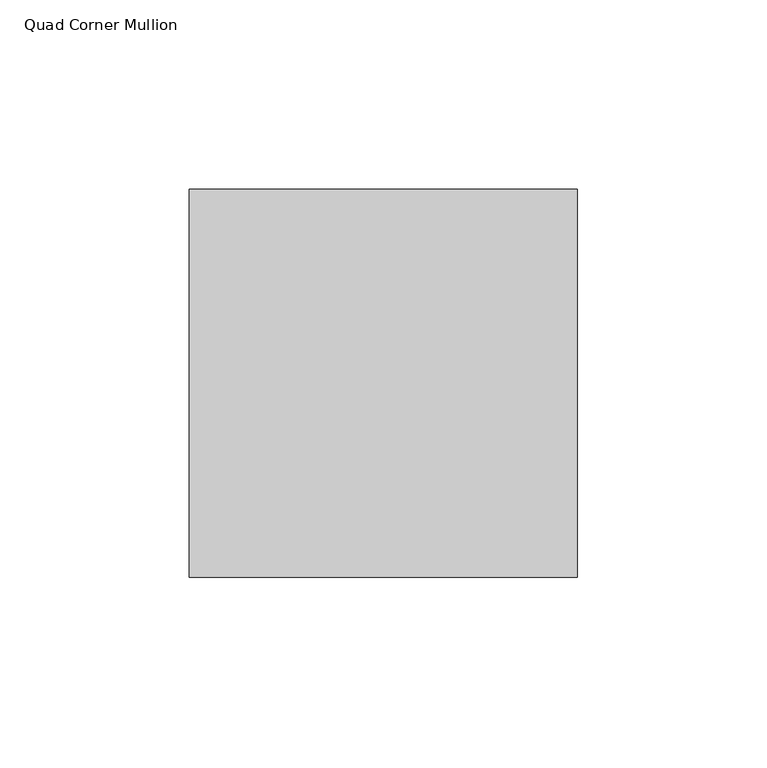
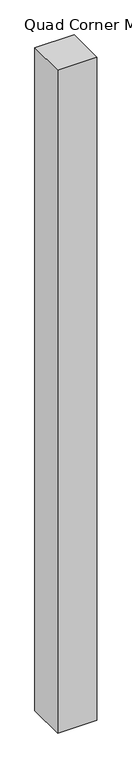
"""IFC4 building model written with IfcOpenShell, lengths in millimetres: member geometry, Quad Corner Mullion."""

import ifcopenshell
import ifcopenshell.guid

model = None  # the IFC model being written
_history = None  # IfcOwnerHistory: only IFC2X3 demands one
_inside = {}  # id of a spatial element -> (the spatial element, [elements in it])
_under = {}  # id of a project, library or spatial element -> (it, [spatial elements below it])
_declared = {}  # id of a project -> (the project, [libraries it declares])
_typed = {}  # id of a type object -> (the type object, [elements of that type])
_made_of = {}  # id of a material, layer set ... -> (it, [elements and type objects made of it])


def new_model(schema):
    """Start an empty IFC model of exactly this schema.

    Asked for "IFC4X3", IfcOpenShell would pick the latest addendum, in which some entities
    have other attributes; the version numbers below select the first issue.
    IFC2X3 requires an IfcOwnerHistory on every rooted entity: one is made here for all.
    """
    global model, _history
    if schema == "IFC4X3":
        model = ifcopenshell.file(schema_version=(4, 3, 0, 0))
    else:
        model = ifcopenshell.file(schema=schema)
    _inside.clear()
    _under.clear()
    _declared.clear()
    _typed.clear()
    _made_of.clear()
    _history = None
    if model.schema == "IFC2X3":
        org = make("IfcOrganization", Name="unknown")
        user = make(
            "IfcPersonAndOrganization",
            ThePerson=make("IfcPerson", FamilyName="unknown"),
            TheOrganization=org,
        )
        app = make(
            "IfcApplication",
            ApplicationDeveloper=org,
            Version="unknown",
            ApplicationFullName="unknown",
            ApplicationIdentifier="unknown",
        )
        _history = make(
            "IfcOwnerHistory",
            OwningUser=user,
            OwningApplication=app,
            ChangeAction="ADDED",
            CreationDate=0,
        )
    return model


def make(cls, **values):
    """One entity of the class cls with the attributes given. An attribute that is None is left unset."""
    return model.create_entity(
        cls, **{name: value for name, value in values.items() if value is not None}
    )


def rooted(cls, **values):
    """An entity with a GlobalId (a new one), such as an element, a storey or a relation."""
    return make(cls, GlobalId=ifcopenshell.guid.new(), OwnerHistory=_history, **values)


def si_unit(unit_type, name, prefix=None):
    """IfcSIUnit, for example si_unit("LENGTHUNIT", "METRE", prefix="MILLI")."""
    return make("IfcSIUnit", UnitType=unit_type, Prefix=prefix, Name=name)


def assignment(units):
    """IfcUnitAssignment: the units of a project."""
    return None if units is None else make("IfcUnitAssignment", Units=units)


def point(xyz):
    """IfcCartesianPoint."""
    return None if xyz is None else make("IfcCartesianPoint", Coordinates=xyz)


def direction(xyz):
    """IfcDirection."""
    return None if xyz is None else make("IfcDirection", DirectionRatios=xyz)


def frame(location, z_axis=None, x_axis=None):
    """IfcAxis2Placement3D, a coordinate frame: its origin and axes. An axis left out is left unset."""
    return make(
        "IfcAxis2Placement3D",
        Location=point(location),
        Axis=direction(z_axis),
        RefDirection=direction(x_axis),
    )


def origin():
    """The frame at (0, 0, 0) with its axes left unset."""
    return frame((0.0, 0.0, 0.0))


def place(relative_to, where):
    """IfcLocalPlacement: puts the frame where relative to a parent placement (None: the world)."""
    return make(
        "IfcLocalPlacement", PlacementRelTo=relative_to, RelativePlacement=where
    )


def context(
    kind, dimensions, precision=None, world=None, true_north=None, identifier=None
):
    """IfcGeometricRepresentationContext, for example the 3D "Model" context."""
    return make(
        "IfcGeometricRepresentationContext",
        ContextIdentifier=identifier,
        ContextType=kind,
        CoordinateSpaceDimension=dimensions,
        Precision=precision,
        WorldCoordinateSystem=world,
        TrueNorth=true_north,
    )


def project(units=None, contexts=None):
    """IfcProject with its units and contexts."""
    return rooted(
        "IfcProject",
        Name="project",
        RepresentationContexts=contexts,
        UnitsInContext=assignment(units),
    )


def spatial(cls, under=None, at=None, **own):
    """A site, building, storey or space (cls), placed at a placement, below another one or the project."""
    s = rooted(cls, ObjectPlacement=at, **own)
    if under is not None:
        _under.setdefault(under.id(), (under, []))[1].append(s)
    return s


def polyline(points):
    """IfcPolyline through the points."""
    return make("IfcPolyline", Points=[point(p) for p in points])


def outline(outer, holes=None, kind="AREA"):
    """IfcArbitraryClosedProfileDef: a profile drawn as a closed curve; with holes, ...WithVoids."""
    if holes is None:
        return make("IfcArbitraryClosedProfileDef", ProfileType=kind, OuterCurve=outer)
    return make(
        "IfcArbitraryProfileDefWithVoids",
        ProfileType=kind,
        OuterCurve=outer,
        InnerCurves=holes,
    )


def extrude(swept, where, along, depth):
    """IfcExtrudedAreaSolid: the profile swept, set in the frame where, extruded along a direction by depth."""
    return make(
        "IfcExtrudedAreaSolid",
        SweptArea=swept,
        Position=where,
        ExtrudedDirection=direction(along),
        Depth=depth,
    )


def shape(context_of_items, identifier, shape_type, items):
    """IfcShapeRepresentation: the items that make up one representation, for example the "Body"."""
    return make(
        "IfcShapeRepresentation",
        ContextOfItems=context_of_items,
        RepresentationIdentifier=identifier,
        RepresentationType=shape_type,
        Items=items,
    )


def source(mapping_origin, context_of_items, identifier, shape_type, items):
    """IfcRepresentationMap: a shape defined once, which mapped items show again and again."""
    return make(
        "IfcRepresentationMap",
        MappingOrigin=mapping_origin,
        MappedRepresentation=shape(context_of_items, identifier, shape_type, items),
    )


def transform(
    local_origin,
    x_axis=None,
    y_axis=None,
    z_axis=None,
    scale=None,
    scale2=None,
    scale3=None,
    uniform=True,
):
    """IfcCartesianTransformationOperator3D, or its non-uniform kind. x_axis, y_axis, z_axis: its Axis1, 2, 3."""
    if uniform:
        return make(
            "IfcCartesianTransformationOperator3D",
            Axis1=direction(x_axis),
            Axis2=direction(y_axis),
            LocalOrigin=point(local_origin),
            Scale=scale,
            Axis3=direction(z_axis),
        )
    return make(
        "IfcCartesianTransformationOperator3DnonUniform",
        Axis1=direction(x_axis),
        Axis2=direction(y_axis),
        LocalOrigin=point(local_origin),
        Scale=scale,
        Axis3=direction(z_axis),
        Scale2=scale2,
        Scale3=scale3,
    )


def mapped(mapping_source, mapping_target):
    """IfcMappedItem: shows the shape of a source again, moved by a transform."""
    return make(
        "IfcMappedItem", MappingSource=mapping_source, MappingTarget=mapping_target
    )


def made_of(thing, what):
    """Note that an element or type object is made of a material, layer set ...; save() writes the relation."""
    if what is not None:
        _made_of.setdefault(what.id(), (what, []))[1].append(thing)
    return thing


def element(
    cls,
    number,
    at=None,
    inside=None,
    cuts=None,
    type_object=None,
    material=None,
    context=None,
    identifier="Body",
    shape_type=None,
    held_by="IfcProductDefinitionShape",
    body=None,
    shapes=None,
    **own,
):
    """One element of the class cls, such as IfcWall. Its Tag is "e" and its number.

    at: its placement. inside: the storey or other place that contains it. cuts: it is an
    opening in that element (IfcRelVoidsElement). A single representation is given by context,
    identifier, shape_type and body (its items); several are given by shapes. held_by: the class
    of the entity that holds the representations. save() writes the other relations.
    """
    e = rooted(cls, Tag="e%d" % number, ObjectPlacement=at, **own)
    if body is not None:
        shapes = [shape(context, identifier, shape_type, body)]
    if shapes is not None:
        e.Representation = make(held_by, Representations=shapes)
    if inside is not None:
        _inside.setdefault(inside.id(), (inside, []))[1].append(e)
    if cuts is not None:
        rooted(
            "IfcRelVoidsElement", RelatingBuildingElement=cuts, RelatedOpeningElement=e
        )
    if type_object is not None:
        _typed.setdefault(type_object.id(), (type_object, []))[1].append(e)
    return made_of(e, material)


def aggregate(whole, parts):
    """IfcRelAggregates: a whole, such as a stair, and the parts it consists of."""
    return rooted("IfcRelAggregates", RelatingObject=whole, RelatedObjects=parts)


def save(model, path):
    """Write the relations noted so far, then the file.

    IfcRelAggregates (storeys below a building ...), IfcRelContainedInSpatialStructure (elements
    in a storey), IfcRelDefinesByType, IfcRelAssociatesMaterial and IfcRelDeclares: one each for
    every whole, place, type object, material and project.
    """
    for whole, parts in _under.values():
        aggregate(whole, parts)
    for where, things in _inside.values():
        rooted(
            "IfcRelContainedInSpatialStructure",
            RelatedElements=things,
            RelatingStructure=where,
        )
    for kind, things in _typed.values():
        rooted("IfcRelDefinesByType", RelatedObjects=things, RelatingType=kind)
    for what, things in _made_of.values():
        rooted("IfcRelAssociatesMaterial", RelatedObjects=things, RelatingMaterial=what)
    for by, libraries in _declared.values():
        rooted("IfcRelDeclares", RelatingContext=by, RelatedDefinitions=libraries)
    model.write(path)


def quad_corner_mullion_a0c81466(model_context):
    return source(origin(), model_context, "Body", "SweptSolid", [
        extrude(outline(polyline([(66.7246094, -35.7683594), (-35.7683594, -35.7683594), (-35.7683594, 66.7246094), (66.7246094, 66.7246094), (66.7246094, -35.7683594)])), frame((0.0, 0.0, -1828.8), z_axis=(0.0, 0.0, 1.0), x_axis=(1.0, 0.0, 0.0)), (0.0, 0.0, 1.0), 1828.8),
    ])


if __name__ == "__main__":
    model = new_model("IFC4")
    model_context = context("Model", 3, world=origin())
    ifc_project = project(units=[si_unit("LENGTHUNIT", "METRE", prefix="MILLI")], contexts=[model_context])
    site = spatial("IfcSite", under=ifc_project)
    building = spatial("IfcBuilding", under=site)
    placement = place(None, origin())
    quad_corner_mullion_shape = quad_corner_mullion_a0c81466(model_context)
    element("IfcMember", 1, ObjectType="Quad Corner Mullion", at=placement, inside=building, context=model_context, shape_type="MappedRepresentation", body=[
        mapped(quad_corner_mullion_shape, transform((0.0, 0.0, 0.0), x_axis=(1.0, 0.0, 0.0), y_axis=(0.0, 1.0, 0.0), z_axis=(0.0, 0.0, 1.0))),
    ])
    save(model, "model.ifc")
